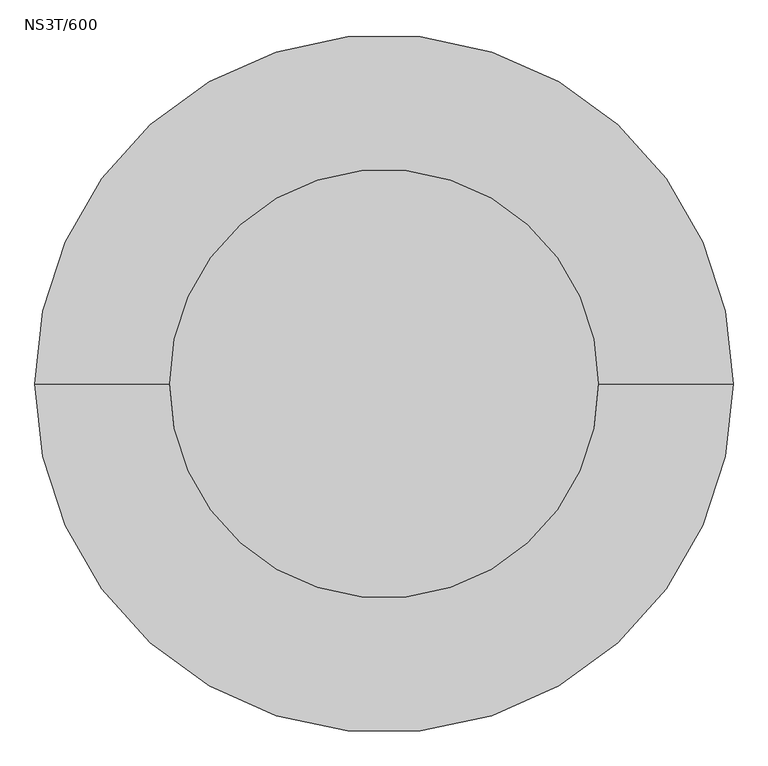
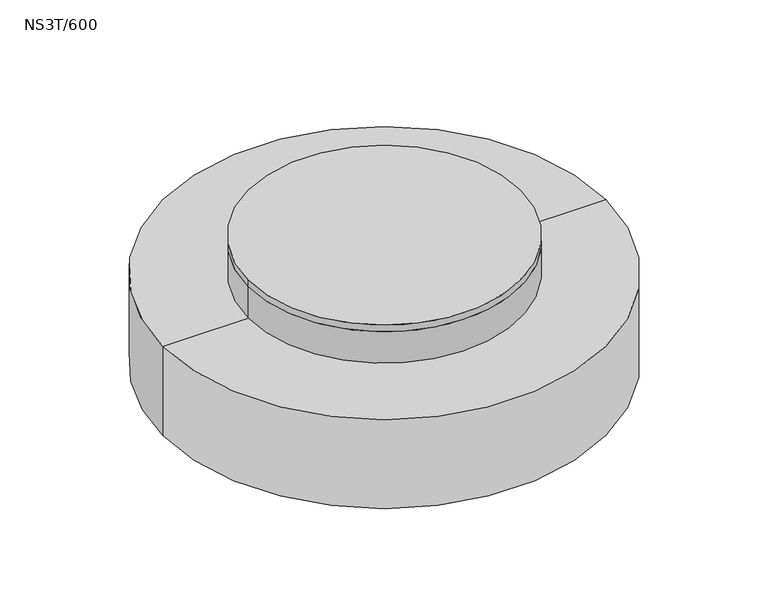
"""IFC4 building model written with IfcOpenShell, lengths in millimetres: proxy geometry, NS3T/600."""

from ifc_helpers import new_model, si_unit, point, frame, origin, origin_2d, place, context, project, spatial, polyline, circle_curve, trimmed, segment, composite_curve, outline, extrude, source, transform, mapped, element, save
from ifc_brep_helpers import plane_surface, cylinder_surface, revolved_surface, advanced_brep


def ns3t_600_ecd3f599(model_context):
    return source(origin(), model_context, "Body", "SolidModel", [
        extrude(outline(composite_curve([segment(trimmed(circle_curve(origin_2d(), 390.0), [point((-390.0, 0.0))], [point((390.0, 0.0))], False, "CARTESIAN"), True, "CONTINUOUS"), segment(trimmed(circle_curve(origin_2d(), 390.0), [point((390.0, 0.0))], [point((-390.0, 0.0))], False, "CARTESIAN"), True, "CONTINUOUS")], self_intersect=False)), frame((0.0, 0.0, -20.0), z_axis=(0.0, 0.0, 1.0), x_axis=(1.0, 0.0, 0.0)), (0.0, 0.0, 1.0), 20.0),
        extrude(outline(composite_curve([segment(trimmed(circle_curve(origin_2d(), 390.0), [point((-390.0, 0.0))], [point((390.0, 0.0))], False, "CARTESIAN"), True, "CONTINUOUS"), segment(trimmed(circle_curve(origin_2d(), 390.0), [point((390.0, 0.0))], [point((-390.0, 0.0))], False, "CARTESIAN"), True, "CONTINUOUS")], self_intersect=False)), frame((0.0, 0.0, -125.0), z_axis=(0.0, 0.0, 1.0), x_axis=(1.0, 0.0, 0.0)), (0.0, 0.0, 1.0), 105.0),
        advanced_brep(
        [(635.0, 0.0, -115.0), (-635.0, 0.0, -115.0), (0.0, 0.0, -115.0), (635.0, 0.0, -385.0), (-635.0, 0.0, -385.0), (575.0, 0.0, -385.0), (-575.0, 0.0, -385.0), (575.0, 0.0, -305.0), (-575.0, 0.0, -305.0), (0.0, 0.0, -305.0)],
        [
            (0, 1, circle_curve(frame((0.0, 0.0, -115.0), z_axis=(0.0, 0.0, 1.0), x_axis=(-1.0, 0.0, 0.0)), 635.0)),
            (1, 2),
            (2, 0),
            (1, 0, circle_curve(frame((0.0, 0.0, -115.0), z_axis=(0.0, 0.0, 1.0), x_axis=(-1.0, 0.0, 0.0)), 635.0)),
            (3, 4, circle_curve(frame((0.0, 0.0, -385.0), z_axis=(0.0, 0.0, 1.0), x_axis=(-1.0, 0.0, 0.0)), 635.0)),
            (4, 1),
            (0, 3),
            (4, 3, circle_curve(frame((0.0, 0.0, -385.0), z_axis=(0.0, 0.0, 1.0), x_axis=(-1.0, 0.0, 0.0)), 635.0)),
            (5, 6, circle_curve(frame((0.0, 0.0, -385.0), z_axis=(0.0, 0.0, 1.0), x_axis=(-1.0, 0.0, 0.0)), 575.0)),
            (6, 4),
            (3, 5),
            (6, 5, circle_curve(frame((0.0, 0.0, -385.0), z_axis=(0.0, 0.0, 1.0), x_axis=(-1.0, 0.0, 0.0)), 575.0)),
            (7, 8, circle_curve(frame((0.0, 0.0, -305.0), z_axis=(0.0, 0.0, 1.0), x_axis=(-1.0, 0.0, 0.0)), 575.0)),
            (8, 6),
            (5, 7),
            (8, 7, circle_curve(frame((0.0, 0.0, -305.0), z_axis=(0.0, 0.0, 1.0), x_axis=(-1.0, 0.0, 0.0)), 575.0)),
            (9, 8),
            (7, 9),
        ],
        [
            plane_surface(frame((0.0, 0.0, -115.0), z_axis=(0.0, 0.0, 1.0), x_axis=(-1.0, 0.0, 0.0))),
            cylinder_surface(frame((0.0, 0.0, -100.0), z_axis=(0.0, 0.0, -1.0), x_axis=(-1.0, 0.0, 0.0)), 635.0),
            plane_surface(frame((0.0, 0.0, -385.0), z_axis=(0.0, 0.0, -1.0), x_axis=(-1.0, 0.0, 0.0))),
            revolved_surface(polyline([(-575.0, 0.0, -385.0), (-575.0, 0.0, -305.0)]), (0.0, 0.0, -100.0), (0.0, 0.0, -1.0)),
            plane_surface(frame((0.0, 0.0, -305.0), z_axis=(0.0, 0.0, -1.0), x_axis=(-1.0, 0.0, 0.0))),
        ],
        [
            (0, [[1, 2, 3]]),
            (0, [[4, -3, -2]]),
            (1, [[5, 6, -1, 7]]),
            (1, [[8, -7, -4, -6]]),
            (2, [[9, 10, -5, 11]]),
            (2, [[12, -11, -8, -10]]),
            (3, [[13, 14, -9, 15]]),
            (3, [[16, -15, -12, -14]]),
            (4, [[17, -13, 18]]),
            (4, [[-18, -16, -17]]),
        ],
    ),
    ])


if __name__ == "__main__":
    model = new_model("IFC4")
    model_context = context("Model", 3, world=origin())
    ifc_project = project(units=[si_unit("LENGTHUNIT", "METRE", prefix="MILLI")], contexts=[model_context])
    site = spatial("IfcSite", under=ifc_project)
    building = spatial("IfcBuilding", under=site)
    placement = place(None, origin())
    ns3t_600_shape = ns3t_600_ecd3f599(model_context)
    element("IfcBuildingElementProxy", 1, Name="NS3T/600", ObjectType="NS3T/600", at=placement, inside=building, context=model_context, shape_type="MappedRepresentation", body=[
        mapped(ns3t_600_shape, transform((0.0, 0.0, 0.0), x_axis=(1.0, 0.0, 0.0), y_axis=(0.0, 1.0, 0.0), z_axis=(0.0, 0.0, 1.0))),
    ])
    save(model, "model.ifc")
